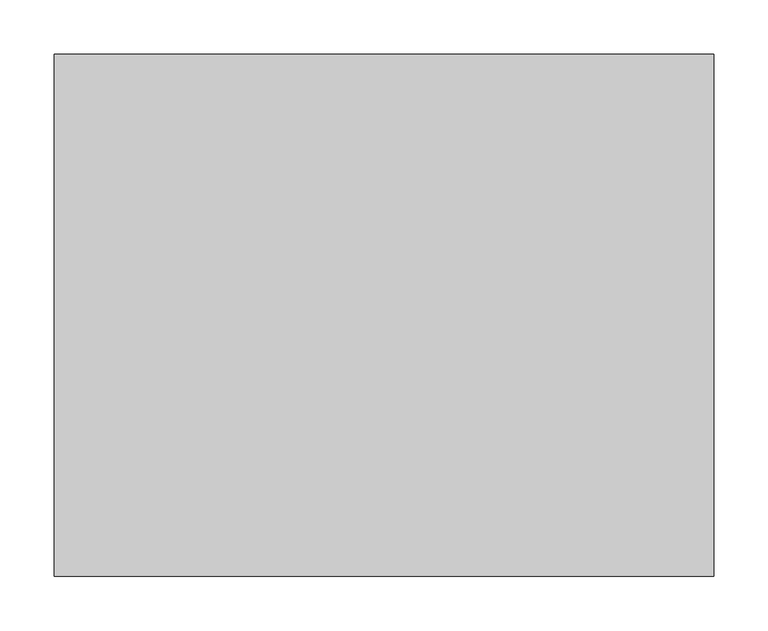
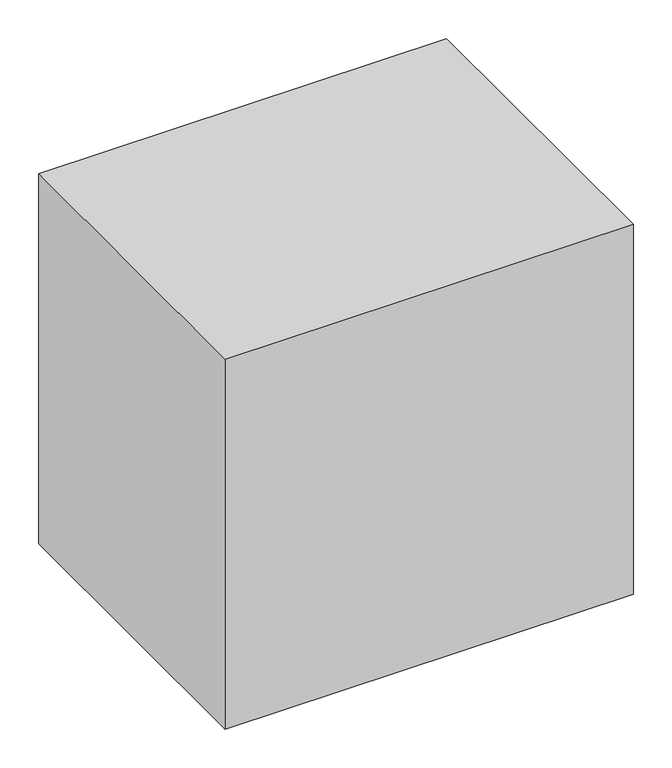
"""IFC4 building model written with IfcOpenShell, lengths in millimetres: proxy geometry."""

from ifc_helpers import new_model, si_unit, frame, origin, origin_with_axes, place, context, project, spatial, polyline, outline, extrude, source, transform, mapped, element, save


def specialty_equipment_14fd097a(model_context):
    return source(origin(), model_context, "Body", "SweptSolid", [
        extrude(outline(polyline([(431.8, 241.3), (431.8, -241.3), (152.4, -241.3), (152.4, 241.3), (431.8, 241.3)]), holes=[polyline([(419.1, 228.6), (165.1, 228.6), (165.1, -228.6), (419.1, -228.6), (419.1, 228.6)])]), frame((0.0, 82.6343095, 0.0), z_axis=(0.0, 1.0, 0.0), x_axis=(0.0, 0.0, 1.0)), (0.0, 0.0, 1.0), 4.7862024),
        extrude(outline(polyline([(241.3, 87.4205119), (-241.3, 87.4205119), (-241.3, 133.2656905), (241.3, 133.2656905), (241.3, 87.4205119)])), frame((0.0, 0.0, 152.4), z_axis=(0.0, 0.0, 1.0), x_axis=(1.0, 0.0, 0.0)), (0.0, 0.0, 1.0), 279.4),
        extrude(outline(polyline([(304.8, 241.3), (304.8, -241.3), (-304.8, -241.3), (-304.8, 241.3), (304.8, 241.3)])), origin_with_axes(), (0.0, 0.0, 1.0), 584.2),
    ])


if __name__ == "__main__":
    model = new_model("IFC4")
    model_context = context("Model", 3, world=origin())
    ifc_project = project(units=[si_unit("LENGTHUNIT", "METRE", prefix="MILLI")], contexts=[model_context])
    site = spatial("IfcSite", under=ifc_project)
    building = spatial("IfcBuilding", under=site)
    placement = place(None, origin())
    specialty_equipment_shape = specialty_equipment_14fd097a(model_context)
    element("IfcBuildingElementProxy", 1, Name="Specialty Equipment", at=placement, inside=building, context=model_context, shape_type="MappedRepresentation", body=[
        mapped(specialty_equipment_shape, transform((0.0, 0.0, 0.0), x_axis=(1.0, 0.0, 0.0), y_axis=(0.0, 1.0, 0.0), z_axis=(0.0, 0.0, 1.0))),
    ])
    save(model, "model.ifc")
